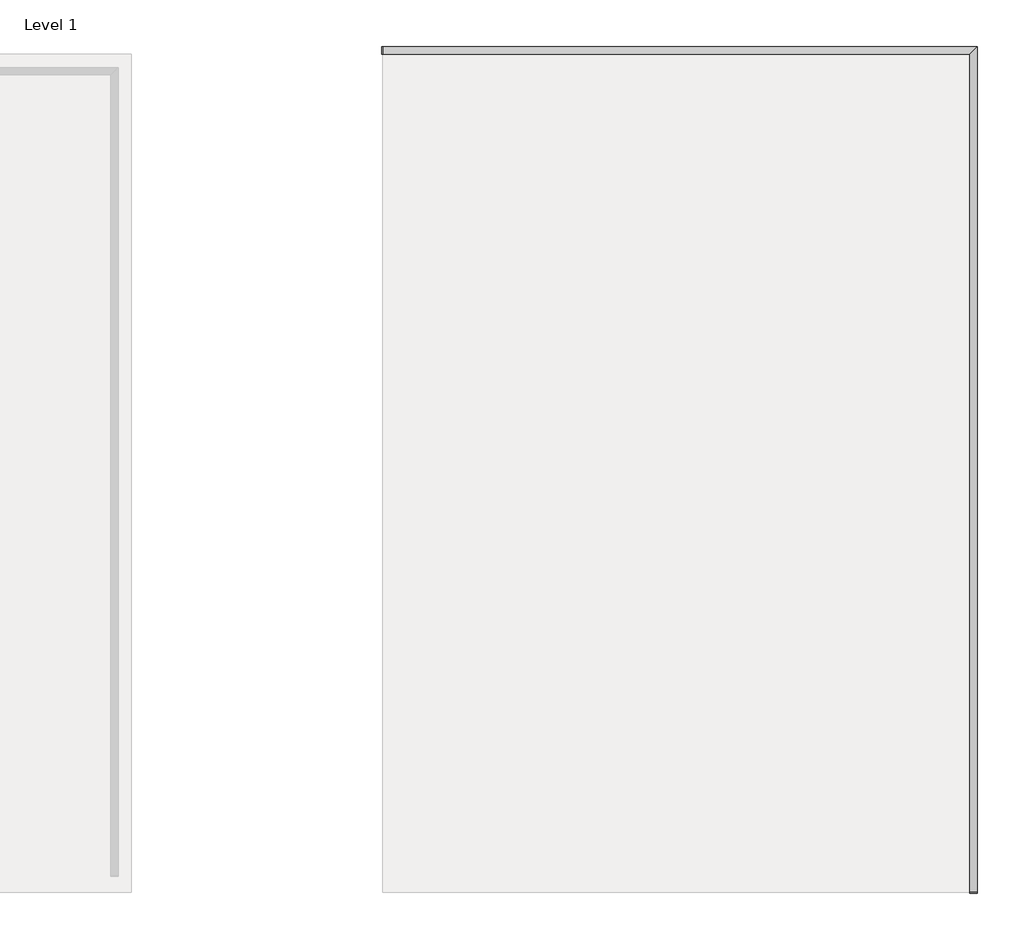
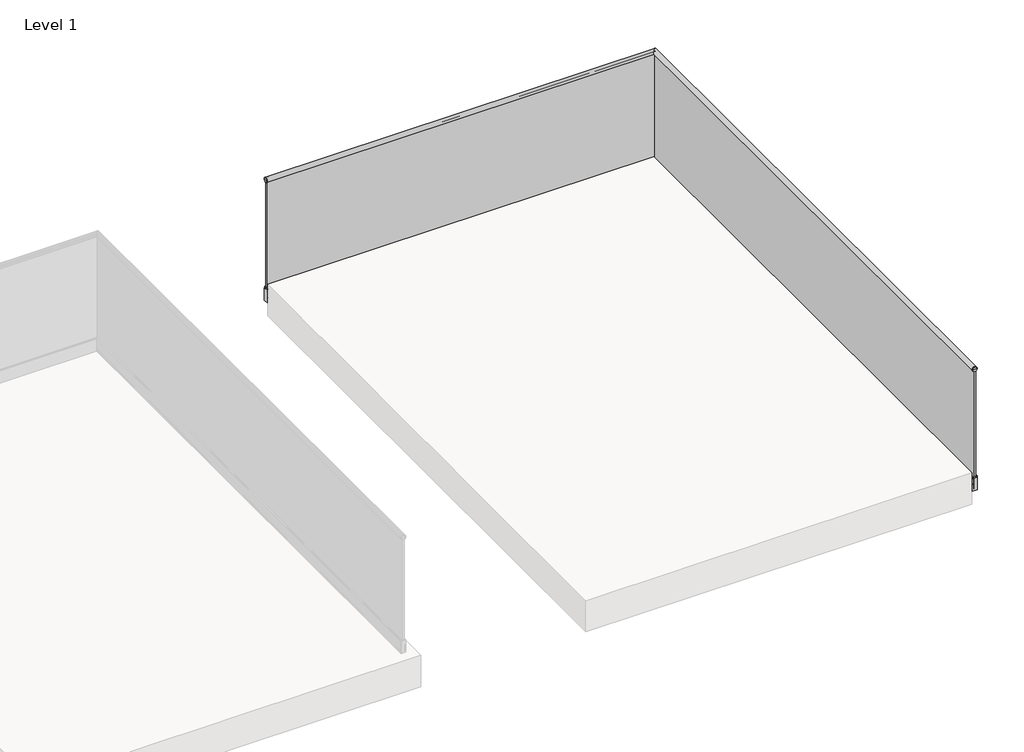
# One storey, part 3 of 11: 1 railing.
"""IFC4 building model written with IfcOpenShell, lengths in millimetres."""

from ifc_helpers import new_model, si_unit, frame, origin, place, context, project, spatial, polyline, circle_curve, ellipse_curve, outline, extrude, faceted_brep, element, save
from ifc_brep_helpers import plane_surface, cylinder_surface, revolved_surface, advanced_brep

model = new_model("IFC4")

# Units and contexts
model_context = context("Model", 3, world=origin())
ifc_project = project(units=[si_unit("LENGTHUNIT", "METRE", prefix="MILLI")], contexts=[model_context])

# Site, building, storey
site = spatial("IfcSite", under=ifc_project)
building = spatial("IfcBuilding", under=site)
storey = spatial("IfcBuildingStorey", under=building, Name="Level 1", Elevation=0.0)

# Railing
placement = place(None, origin())
element("IfcRailing", 1, at=placement, inside=storey, context=model_context, shape_type="SolidModel", body=[
    advanced_brep(
    [(-8638.5524845, -53857.3362173, 988.8064374), (-8638.5524845, -53822.3362173, 988.8064374), (-8638.5524845, -53820.8362173, 988.8064374), (-8638.5524845, -53858.8362173, 988.8064374), (-8638.5524845, -53825.0673098, 979.418713), (-8638.5524845, -53823.317421, 979.418713), (-8638.5524845, -53856.3550135, 979.418713), (-8638.5524845, -53854.6051248, 979.418713), (-8668.5524845, -53861.0362173, 988.8064374), (-8668.5524845, -53818.6362173, 988.8064374), (-8672.5524845, -53818.6362173, 988.8064374), (-8672.5524845, -53861.0362173, 988.8064374), (-8668.5524845, -53858.8362173, 988.8064374), (-8668.5524845, -53820.8362173, 988.8064374), (-8668.5524845, -53823.317421, 979.418713), (-8668.5524845, -53825.0673098, 979.418713), (-8668.5524845, -53822.3362173, 988.8064374), (-8668.5524845, -53839.8362173, 988.8064374), (-8668.5524845, -53857.3362173, 988.8064374), (-8668.5524845, -53854.6051248, 979.418713), (-8668.5524845, -53856.3550135, 979.418713), (-8672.5524845, -53839.8362173, 988.8064374)],
    [
        (0, 1, circle_curve(frame((-8638.5524845, -53839.8362173, 988.8064374), z_axis=(-1.0, 0.0, 0.0), x_axis=(0.0, 1.0, 0.0)), 17.5)),
        (1, 2),
        (2, 3, circle_curve(frame((-8638.5524845, -53839.8362173, 988.8064374), z_axis=(1.0, 0.0, 0.0), x_axis=(0.0, 1.0, 0.0)), 19.0)),
        (3, 0),
        (1, 4, circle_curve(frame((-8638.5524845, -53839.8362173, 988.8064374), z_axis=(-1.0, 0.0, 0.0), x_axis=(0.0, 1.0, 0.0)), 17.5)),
        (4, 5),
        (5, 2, circle_curve(frame((-8638.5524845, -53839.8362173, 988.8064374), z_axis=(1.0, 0.0, 0.0), x_axis=(0.0, 1.0, 0.0)), 19.0)),
        (3, 6, circle_curve(frame((-8638.5524845, -53839.8362173, 988.8064374), z_axis=(1.0, 0.0, 0.0), x_axis=(0.0, 1.0, 0.0)), 19.0)),
        (6, 7),
        (7, 0, circle_curve(frame((-8638.5524845, -53839.8362173, 988.8064374), z_axis=(-1.0, 0.0, 0.0), x_axis=(0.0, 1.0, 0.0)), 17.5)),
        (8, 9, circle_curve(frame((-8668.5524845, -53839.8362173, 988.8064374), z_axis=(-1.0, 0.0, 0.0), x_axis=(0.0, 1.0, 0.0)), 21.2)),
        (9, 10),
        (10, 11, circle_curve(frame((-8672.5524845, -53839.8362173, 988.8064374), z_axis=(1.0, 0.0, 0.0), x_axis=(0.0, 1.0, 0.0)), 21.2)),
        (11, 8),
        (9, 8, circle_curve(frame((-8668.5524845, -53839.8362173, 988.8064374), z_axis=(-1.0, 0.0, 0.0), x_axis=(0.0, 1.0, 0.0)), 21.2)),
        (11, 10, circle_curve(frame((-8672.5524845, -53839.8362173, 988.8064374), z_axis=(1.0, 0.0, 0.0), x_axis=(0.0, 1.0, 0.0)), 21.2)),
        (8, 12),
        (12, 13, circle_curve(frame((-8668.5524845, -53839.8362173, 988.8064374), z_axis=(-1.0, 0.0, 0.0), x_axis=(0.0, 1.0, 0.0)), 19.0)),
        (13, 9),
        (13, 14, circle_curve(frame((-8668.5524845, -53839.8362173, 988.8064374), z_axis=(-1.0, 0.0, 0.0), x_axis=(0.0, 1.0, 0.0)), 19.0)),
        (14, 15),
        (15, 16, circle_curve(frame((-8668.5524845, -53839.8362173, 988.8064374), z_axis=(1.0, 0.0, 0.0), x_axis=(0.0, 1.0, 0.0)), 17.5)),
        (16, 17),
        (17, 18),
        (18, 19, circle_curve(frame((-8668.5524845, -53839.8362173, 988.8064374), z_axis=(1.0, 0.0, 0.0), x_axis=(0.0, 1.0, 0.0)), 17.5)),
        (19, 20),
        (20, 12, circle_curve(frame((-8668.5524845, -53839.8362173, 988.8064374), z_axis=(-1.0, 0.0, 0.0), x_axis=(0.0, 1.0, 0.0)), 19.0)),
        (2, 13),
        (12, 3),
        (5, 14),
        (20, 6),
        (10, 21),
        (21, 11),
        (0, 18),
        (18, 16, circle_curve(frame((-8668.5524845, -53839.8362173, 988.8064374), z_axis=(-1.0, 0.0, 0.0), x_axis=(0.0, 1.0, 0.0)), 17.5)),
        (16, 1),
        (7, 19),
        (15, 4),
    ],
    [
        plane_surface(frame((-8638.5524845, -53839.8362173, 988.8064374), z_axis=(1.0, 0.0, 0.0), x_axis=(0.0, 1.0, 0.0))),
        cylinder_surface(frame((-8330.4837708, -53839.8362173, 988.8064374), z_axis=(1.0, 0.0, 0.0), x_axis=(0.0, 1.0, 0.0)), 21.2),
        plane_surface(frame((-8668.5524845, -53839.8362173, 988.8064374), z_axis=(1.0, 0.0, 0.0), x_axis=(0.0, 1.0, 0.0))),
        cylinder_surface(frame((-8330.4837708, -53839.8362173, 988.8064374), z_axis=(1.0, 0.0, 0.0), x_axis=(0.0, 1.0, 0.0)), 19.0),
        plane_surface(frame((-8672.5524845, -53839.8362173, 988.8064374), z_axis=(-1.0, 0.0, 0.0), x_axis=(0.0, 1.0, 0.0))),
        revolved_surface(polyline([(-8638.5524845, -53822.3362173, 988.8064374), (-8668.5524845, -53822.3362173, 988.8064374)]), (-8330.4837708, -53839.8362173, 988.8064374), (1.0, 0.0, 0.0)),
        plane_surface(frame((-8668.5524845, -53861.0362173, 979.418713), z_axis=(0.0, 0.0, -1.0), x_axis=(1.0, 0.0, 0.0))),
    ],
    [
        (0, [[1, 2, 3, 4]]),
        (0, [[-2, 5, 6, 7]]),
        (0, [[-4, 8, 9, 10]]),
        (1, [[11, 12, 13, 14]]),
        (1, [[-12, 15, -14, 16]]),
        (2, [[-11, 17, 18, 19]]),
        (2, [[-19, 20, 21, 22, 23, 24, 25, 26, 27, -17, -15]]),
        (3, [[-3, 28, -18, 29]]),
        (3, [[-28, -7, 30, -20]]),
        (3, [[-29, -27, 31, -8]]),
        (4, [[-13, 32, 33]]),
        (4, [[-16, -33, -32]]),
        (5, [[-1, 34, 35, 36]]),
        (5, [[-34, -10, 37, -25]]),
        (5, [[-36, -22, 38, -5]]),
        (2, [[-35, -24, -23]]),
        (6, [[-21, -30, -6, -38]]),
        (6, [[-26, -37, -9, -31]]),
    ],
),
    advanced_brep(
    [(-5126.5524845, -58834.3362173, 988.8064374), (-5161.5524845, -58834.3362173, 988.8064374), (-5163.0524845, -58834.3362173, 988.8064374), (-5125.0524845, -58834.3362173, 988.8064374), (-5158.821392, -58834.3362173, 979.418713), (-5160.5712807, -58834.3362173, 979.418713), (-5127.5336882, -58834.3362173, 979.418713), (-5129.2835769, -58834.3362173, 979.418713), (-5122.8524845, -58864.3362173, 988.8064374), (-5165.2524845, -58864.3362173, 988.8064374), (-5165.2524845, -58868.3362173, 988.8064374), (-5122.8524845, -58868.3362173, 988.8064374), (-5125.0524845, -58864.3362173, 988.8064374), (-5163.0524845, -58864.3362173, 988.8064374), (-5160.5712807, -58864.3362173, 979.418713), (-5158.821392, -58864.3362173, 979.418713), (-5161.5524845, -58864.3362173, 988.8064374), (-5144.0524845, -58864.3362173, 988.8064374), (-5126.5524845, -58864.3362173, 988.8064374), (-5129.2835769, -58864.3362173, 979.418713), (-5127.5336882, -58864.3362173, 979.418713), (-5144.0524845, -58868.3362173, 988.8064374)],
    [
        (0, 1, circle_curve(frame((-5144.0524845, -58834.3362173, 988.8064374), z_axis=(0.0, -1.0, 0.0), x_axis=(-1.0, 0.0, 0.0)), 17.5)),
        (1, 2),
        (2, 3, circle_curve(frame((-5144.0524845, -58834.3362173, 988.8064374), z_axis=(0.0, 1.0, 0.0), x_axis=(-1.0, 0.0, 0.0)), 19.0)),
        (3, 0),
        (1, 4, circle_curve(frame((-5144.0524845, -58834.3362173, 988.8064374), z_axis=(0.0, -1.0, 0.0), x_axis=(-1.0, 0.0, 0.0)), 17.5)),
        (4, 5),
        (5, 2, circle_curve(frame((-5144.0524845, -58834.3362173, 988.8064374), z_axis=(0.0, 1.0, 0.0), x_axis=(-1.0, 0.0, 0.0)), 19.0)),
        (3, 6, circle_curve(frame((-5144.0524845, -58834.3362173, 988.8064374), z_axis=(0.0, 1.0, 0.0), x_axis=(-1.0, 0.0, 0.0)), 19.0)),
        (6, 7),
        (7, 0, circle_curve(frame((-5144.0524845, -58834.3362173, 988.8064374), z_axis=(0.0, -1.0, 0.0), x_axis=(-1.0, 0.0, 0.0)), 17.5)),
        (8, 9, circle_curve(frame((-5144.0524845, -58864.3362173, 988.8064374), z_axis=(0.0, -1.0, 0.0), x_axis=(-1.0, 0.0, 0.0)), 21.2)),
        (9, 10),
        (10, 11, circle_curve(frame((-5144.0524845, -58868.3362173, 988.8064374), z_axis=(0.0, 1.0, 0.0), x_axis=(-1.0, 0.0, 0.0)), 21.2)),
        (11, 8),
        (9, 8, circle_curve(frame((-5144.0524845, -58864.3362173, 988.8064374), z_axis=(0.0, -1.0, 0.0), x_axis=(-1.0, 0.0, 0.0)), 21.2)),
        (11, 10, circle_curve(frame((-5144.0524845, -58868.3362173, 988.8064374), z_axis=(0.0, 1.0, 0.0), x_axis=(-1.0, 0.0, 0.0)), 21.2)),
        (8, 12),
        (12, 13, circle_curve(frame((-5144.0524845, -58864.3362173, 988.8064374), z_axis=(0.0, -1.0, 0.0), x_axis=(-1.0, 0.0, 0.0)), 19.0)),
        (13, 9),
        (13, 14, circle_curve(frame((-5144.0524845, -58864.3362173, 988.8064374), z_axis=(0.0, -1.0, 0.0), x_axis=(-1.0, 0.0, 0.0)), 19.0)),
        (14, 15),
        (15, 16, circle_curve(frame((-5144.0524845, -58864.3362173, 988.8064374), z_axis=(0.0, 1.0, 0.0), x_axis=(-1.0, 0.0, 0.0)), 17.5)),
        (16, 17),
        (17, 18),
        (18, 19, circle_curve(frame((-5144.0524845, -58864.3362173, 988.8064374), z_axis=(0.0, 1.0, 0.0), x_axis=(-1.0, 0.0, 0.0)), 17.5)),
        (19, 20),
        (20, 12, circle_curve(frame((-5144.0524845, -58864.3362173, 988.8064374), z_axis=(0.0, -1.0, 0.0), x_axis=(-1.0, 0.0, 0.0)), 19.0)),
        (2, 13),
        (12, 3),
        (5, 14),
        (20, 6),
        (10, 21),
        (21, 11),
        (0, 18),
        (18, 16, circle_curve(frame((-5144.0524845, -58864.3362173, 988.8064374), z_axis=(0.0, -1.0, 0.0), x_axis=(-1.0, 0.0, 0.0)), 17.5)),
        (16, 1),
        (7, 19),
        (15, 4),
    ],
    [
        plane_surface(frame((-5144.0524845, -58834.3362173, 988.8064374), z_axis=(0.0, 1.0, 0.0), x_axis=(-1.0, 0.0, 0.0))),
        cylinder_surface(frame((-5144.0524845, -58526.2675037, 988.8064374), z_axis=(0.0, 1.0, 0.0), x_axis=(-1.0, 0.0, 0.0)), 21.2),
        plane_surface(frame((-5144.0524845, -58864.3362173, 988.8064374), z_axis=(0.0, 1.0, 0.0), x_axis=(-1.0, 0.0, 0.0))),
        cylinder_surface(frame((-5144.0524845, -58526.2675037, 988.8064374), z_axis=(0.0, 1.0, 0.0), x_axis=(-1.0, 0.0, 0.0)), 19.0),
        plane_surface(frame((-5144.0524845, -58868.3362173, 988.8064374), z_axis=(0.0, -1.0, 0.0), x_axis=(-1.0, 0.0, 0.0))),
        revolved_surface(polyline([(-5161.5524845, -58834.3362173, 988.8064374), (-5161.5524845, -58864.3362173, 988.8064374)]), (-5144.0524845, -58526.2675037, 988.8064374), (0.0, 1.0, 0.0)),
        plane_surface(frame((-5122.8524845, -58864.3362173, 979.418713), z_axis=(0.0, 0.0, -1.0), x_axis=(0.0, 1.0, 0.0))),
    ],
    [
        (0, [[1, 2, 3, 4]]),
        (0, [[-2, 5, 6, 7]]),
        (0, [[-4, 8, 9, 10]]),
        (1, [[11, 12, 13, 14]]),
        (1, [[-12, 15, -14, 16]]),
        (2, [[-11, 17, 18, 19]]),
        (2, [[-19, 20, 21, 22, 23, 24, 25, 26, 27, -17, -15]]),
        (3, [[-3, 28, -18, 29]]),
        (3, [[-28, -7, 30, -20]]),
        (3, [[-29, -27, 31, -8]]),
        (4, [[-13, 32, 33]]),
        (4, [[-16, -33, -32]]),
        (5, [[-1, 34, 35, 36]]),
        (5, [[-34, -10, 37, -25]]),
        (5, [[-36, -22, 38, -5]]),
        (2, [[-35, -24, -23]]),
        (6, [[-21, -30, -6, -38]]),
        (6, [[-26, -37, -9, -31]]),
    ],
),
    advanced_brep(
    [(-5156.0524845, -58864.3362173, 997.0), (-5132.0524845, -58864.3362173, 997.0), (-5132.0524845, -58864.3362173, 974.4528749), (-5129.5245657, -58864.3362173, 973.3604542), (-5158.5804032, -58864.3362173, 973.3604542), (-5156.0524845, -58864.3362173, 974.4528749), (-5156.0524845, -58863.3362173, 997.0), (-5132.0524845, -58863.3362173, 997.0), (-5132.0524845, -58863.3362173, 974.4528749), (-5156.0524845, -58863.3362173, 974.4528749), (-5156.0524845, -53851.8362173, 997.0), (-5132.0524845, -53827.8362173, 997.0), (-5132.0524845, -53827.8362173, 974.4528749), (-5156.0524845, -53851.8362173, 974.4528749), (-8667.5524845, -53851.8362173, 997.0), (-8667.5524845, -53827.8362173, 997.0), (-8667.5524845, -53827.8362173, 974.4528749), (-8667.5524845, -53851.8362173, 974.4528749), (-8668.5524845, -53851.8362173, 997.0), (-8668.5524845, -53851.8362173, 974.4528749), (-8668.5524845, -53854.3641361, 973.3604542), (-8668.5524845, -53825.3082985, 973.3604542), (-8668.5524845, -53827.8362173, 974.4528749), (-8668.5524845, -53827.8362173, 997.0), (-5129.5245657, -58863.3362173, 973.3604542), (-5158.5804032, -58863.3362173, 973.3604542), (-5129.5245657, -53825.3082985, 973.3604542), (-5158.5804032, -53854.3641361, 973.3604542), (-8667.5524845, -53825.3082985, 973.3604542), (-8667.5524845, -53854.3641361, 973.3604542)],
    [
        (0, 1),
        (1, 2),
        (2, 3, circle_curve(frame((-5130.5524845, -58864.3362173, 974.4528749), z_axis=(0.0, -1.0, 0.0), x_axis=(-1.0, 0.0, 0.0)), 1.5)),
        (3, 4, circle_curve(frame((-5144.0524845, -58864.3362173, 988.8), z_axis=(0.0, -1.0, 0.0), x_axis=(-1.0, 0.0, 0.0)), 21.2)),
        (4, 5, circle_curve(frame((-5157.5524845, -58864.3362173, 974.4528749), z_axis=(0.0, -1.0, 0.0), x_axis=(-1.0, 0.0, 0.0)), 1.5)),
        (5, 0),
        (0, 6),
        (6, 7),
        (7, 1),
        (7, 8),
        (8, 2),
        (5, 9),
        (9, 6),
        (6, 10),
        (10, 11),
        (11, 7),
        (11, 12),
        (12, 8),
        (9, 13),
        (13, 10),
        (10, 14),
        (14, 15),
        (15, 11),
        (15, 16),
        (16, 12),
        (13, 17),
        (17, 14),
        (18, 19),
        (19, 20, circle_curve(frame((-8668.5524845, -53853.3362173, 974.4528749), z_axis=(-1.0, 0.0, 0.0), x_axis=(0.0, -1.0, 0.0)), 1.5)),
        (20, 21, circle_curve(frame((-8668.5524845, -53839.8362173, 988.8), z_axis=(-1.0, 0.0, 0.0), x_axis=(0.0, -1.0, 0.0)), 21.2)),
        (21, 22, circle_curve(frame((-8668.5524845, -53826.3362173, 974.4528749), z_axis=(-1.0, 0.0, 0.0), x_axis=(0.0, -1.0, 0.0)), 1.5)),
        (22, 23),
        (23, 18),
        (14, 18),
        (23, 15),
        (22, 16),
        (17, 19),
        (8, 24, circle_curve(frame((-5130.5524845, -58863.3362173, 974.4528749), z_axis=(0.0, -1.0, 0.0), x_axis=(-1.0, 0.0, 0.0)), 1.5)),
        (24, 3),
        (24, 25, circle_curve(frame((-5144.0524845, -58863.3362173, 988.8), z_axis=(0.0, -1.0, 0.0), x_axis=(-1.0, 0.0, 0.0)), 21.2)),
        (25, 4),
        (25, 9, circle_curve(frame((-5157.5524845, -58863.3362173, 974.4528749), z_axis=(0.0, -1.0, 0.0), x_axis=(-1.0, 0.0, 0.0)), 1.5)),
        (12, 26, ellipse_curve(frame((-5130.5524845, -53826.3362173, 974.4528749), z_axis=(0.7071067811865475, -0.7071067811865475, 0.0), x_axis=(-0.7071067811865474, -0.7071067811865476, 0.0)), 2.1213203, 1.5)),
        (26, 24),
        (26, 27, ellipse_curve(frame((-5144.0524845, -53839.8362173, 988.8), z_axis=(0.7071067811865475, -0.7071067811865475, 0.0), x_axis=(-0.7071067811865474, -0.7071067811865476, 0.0)), 29.9813275, 21.2)),
        (27, 25),
        (27, 13, ellipse_curve(frame((-5157.5524845, -53853.3362173, 974.4528749), z_axis=(0.7071067811865475, -0.7071067811865475, 0.0), x_axis=(-0.7071067811865474, -0.7071067811865476, 0.0)), 2.1213203, 1.5)),
        (16, 28, circle_curve(frame((-8667.5524845, -53826.3362173, 974.4528749), z_axis=(1.0, 0.0, 0.0), x_axis=(0.0, -1.0, 0.0)), 1.5)),
        (28, 26),
        (28, 29, circle_curve(frame((-8667.5524845, -53839.8362173, 988.8), z_axis=(1.0, 0.0, 0.0), x_axis=(0.0, -1.0, 0.0)), 21.2)),
        (29, 27),
        (29, 17, circle_curve(frame((-8667.5524845, -53853.3362173, 974.4528749), z_axis=(1.0, 0.0, 0.0), x_axis=(0.0, -1.0, 0.0)), 1.5)),
        (21, 28),
        (20, 29),
    ],
    [
        plane_surface(frame((-5144.0524845, -58864.3362173, 997.0), z_axis=(0.0, -1.0, 0.0), x_axis=(0.0, 0.0, 1.0))),
        plane_surface(frame((-5156.0524845, -58864.3362173, 997.0), z_axis=(0.0, 0.0, -1.0), x_axis=(0.0, 1.0, 0.0))),
        plane_surface(frame((-5132.0524845, -58864.3362173, 997.0), z_axis=(-1.0, 0.0, 0.0), x_axis=(0.0, 1.0, 0.0))),
        plane_surface(frame((-5156.0524845, -58864.3362173, 974.4528749), z_axis=(1.0, 0.0, 0.0), x_axis=(0.0, 1.0, 0.0))),
        plane_surface(frame((-5156.0524845, -58863.3362173, 997.0), z_axis=(0.0, 0.0, -1.0), x_axis=(0.0, 1.0, 0.0))),
        plane_surface(frame((-5132.0524845, -58863.3362173, 997.0), z_axis=(-1.0, 0.0, 0.0), x_axis=(0.0, 1.0, 0.0))),
        plane_surface(frame((-5156.0524845, -58863.3362173, 974.4528749), z_axis=(1.0, 0.0, 0.0), x_axis=(0.0, 1.0, 0.0))),
        plane_surface(frame((-5156.0524845, -53851.8362173, 997.0), z_axis=(0.0, 0.0, -1.0), x_axis=(-1.0, 0.0, 0.0))),
        plane_surface(frame((-5132.0524845, -53827.8362173, 997.0), z_axis=(0.0, -1.0, 0.0), x_axis=(-1.0, 0.0, 0.0))),
        plane_surface(frame((-5156.0524845, -53851.8362173, 974.4528749), z_axis=(0.0, 1.0, 0.0), x_axis=(-1.0, 0.0, 0.0))),
        plane_surface(frame((-8668.5524845, -53839.8362173, 997.0), z_axis=(-1.0, 0.0, 0.0), x_axis=(0.0, -1.0, 0.0))),
        plane_surface(frame((-8667.5524845, -53851.8362173, 997.0), z_axis=(0.0, 0.0, -1.0), x_axis=(-1.0, 0.0, 0.0))),
        plane_surface(frame((-8667.5524845, -53827.8362173, 997.0), z_axis=(0.0, -1.0, 0.0), x_axis=(-1.0, 0.0, 0.0))),
        plane_surface(frame((-8667.5524845, -53851.8362173, 974.4528749), z_axis=(0.0, 1.0, 0.0), x_axis=(-1.0, 0.0, 0.0))),
        cylinder_surface(frame((-5130.5524845, -58864.3362173, 974.4528749), z_axis=(0.0, -1.0, 0.0), x_axis=(-1.0, 0.0, 0.0)), 1.5),
        cylinder_surface(frame((-5144.0524845, -58864.3362173, 988.8), z_axis=(0.0, -1.0, 0.0), x_axis=(-1.0, 0.0, 0.0)), 21.2),
        cylinder_surface(frame((-5157.5524845, -58864.3362173, 974.4528749), z_axis=(0.0, -1.0, 0.0), x_axis=(-1.0, 0.0, 0.0)), 1.5),
        cylinder_surface(frame((-5130.5524845, -58863.3362173, 974.4528749), z_axis=(0.0, -1.0, 0.0), x_axis=(-1.0, 0.0, 0.0)), 1.5),
        cylinder_surface(frame((-5144.0524845, -58863.3362173, 988.8), z_axis=(0.0, -1.0, 0.0), x_axis=(-1.0, 0.0, 0.0)), 21.2),
        cylinder_surface(frame((-5157.5524845, -58863.3362173, 974.4528749), z_axis=(0.0, -1.0, 0.0), x_axis=(-1.0, 0.0, 0.0)), 1.5),
        cylinder_surface(frame((-5144.0524845, -53826.3362173, 974.4528749), z_axis=(1.0, 0.0, 0.0), x_axis=(0.0, -1.0, 0.0)), 1.5),
        cylinder_surface(frame((-5144.0524845, -53839.8362173, 988.8), z_axis=(1.0, 0.0, 0.0), x_axis=(0.0, -1.0, 0.0)), 21.2),
        cylinder_surface(frame((-5144.0524845, -53853.3362173, 974.4528749), z_axis=(1.0, 0.0, 0.0), x_axis=(0.0, -1.0, 0.0)), 1.5),
        cylinder_surface(frame((-8667.5524845, -53826.3362173, 974.4528749), z_axis=(1.0, 0.0, 0.0), x_axis=(0.0, -1.0, 0.0)), 1.5),
        cylinder_surface(frame((-8667.5524845, -53839.8362173, 988.8), z_axis=(1.0, 0.0, 0.0), x_axis=(0.0, -1.0, 0.0)), 21.2),
        cylinder_surface(frame((-8667.5524845, -53853.3362173, 974.4528749), z_axis=(1.0, 0.0, 0.0), x_axis=(0.0, -1.0, 0.0)), 1.5),
    ],
    [
        (0, [[1, 2, 3, 4, 5, 6]]),
        (1, [[-1, 7, 8, 9]]),
        (2, [[-2, -9, 10, 11]]),
        (3, [[-6, 12, 13, -7]]),
        (4, [[-8, 14, 15, 16]]),
        (5, [[-10, -16, 17, 18]]),
        (6, [[-13, 19, 20, -14]]),
        (7, [[-15, 21, 22, 23]]),
        (8, [[-17, -23, 24, 25]]),
        (9, [[-20, 26, 27, -21]]),
        (10, [[28, 29, 30, 31, 32, 33]]),
        (11, [[-22, 34, -33, 35]]),
        (12, [[-24, -35, -32, 36]]),
        (13, [[-27, 37, -28, -34]]),
        (14, [[-3, -11, 38, 39]]),
        (15, [[-4, -39, 40, 41]]),
        (16, [[-5, -41, 42, -12]]),
        (17, [[-38, -18, 43, 44]]),
        (18, [[-40, -44, 45, 46]]),
        (19, [[-42, -46, 47, -19]]),
        (20, [[-43, -25, 48, 49]]),
        (21, [[-45, -49, 50, 51]]),
        (22, [[-47, -51, 52, -26]]),
        (23, [[-48, -36, -31, 53]]),
        (24, [[-50, -53, -30, 54]]),
        (25, [[-52, -54, -29, -37]]),
    ],
),
    faceted_brep([(-5135.2924845, -58863.3362173, 993.0), (-5152.8124845, -58863.3362173, 993.0), (-5152.8124845, -58863.3362173, -157.0), (-5135.2924845, -58863.3362173, -157.0), (-5135.2924845, -53831.0762173, 993.0), (-5152.8124845, -53848.5962173, 993.0), (-5152.8124845, -53848.5962173, -157.0), (-5135.2924845, -53831.0762173, -157.0), (-8667.5524845, -53831.0762173, 993.0), (-8667.5524845, -53831.0762173, -157.0), (-8667.5524845, -53848.5962173, -157.0), (-8667.5524845, -53848.5962173, 993.0)], [[[0, 1, 2, 3]], [[1, 0, 4, 5]], [[2, 1, 5, 6]], [[3, 2, 6, 7]], [[0, 3, 7, 4]], [[8, 9, 10, 11]], [[5, 4, 8, 11]], [[6, 5, 11, 10]], [[7, 6, 10, 9]], [[4, 7, 9, 8]]]),
    faceted_brep([(-5156.5524845, -58863.3362173, -160.0), (-5156.5524845, -58863.3362173, -140.0), (-5160.5905785, -58863.3362173, -50.0), (-5166.4524845, -58863.3362173, -50.0), (-5167.5524845, -58863.3362173, -51.1), (-5167.5524845, -58863.3362173, -69.1), (-5165.0524845, -58863.3362173, -71.6), (-5165.0524845, -58863.3362173, -88.0), (-5167.5524845, -58863.3362173, -90.5), (-5167.5524845, -58863.3362173, -129.5), (-5165.0524845, -58863.3362173, -132.0), (-5165.0524845, -58863.3362173, -148.0), (-5167.5524845, -58863.3362173, -150.5), (-5167.5524845, -58863.3362173, -170.0), (-5122.5524844, -58863.3362173, -170.0), (-5122.5524844, -58863.3362173, -168.0), (-5126.8024844, -58863.3362173, -167.4027015), (-5126.8024844, -58863.3362173, -165.7499556), (-5123.0524844, -58863.3362173, -165.7499556), (-5123.0524844, -58863.3362173, -49.0), (-5124.0524844, -58863.3362173, -49.0), (-5125.0524844, -58863.3362173, -50.0), (-5128.7524845, -58863.3362173, -50.0), (-5128.7524845, -58863.3362173, -70.0), (-5127.7524845, -58863.3362173, -70.5773503), (-5131.5524845, -58863.3362173, -93.5), (-5131.5524845, -58863.3362173, -160.0), (-8667.5524845, -53852.3362173, -160.0), (-8667.5524845, -53827.3362173, -160.0), (-8667.5524845, -53827.3362173, -93.5), (-8667.5524845, -53823.5362173, -70.5773503), (-8667.5524845, -53824.5362173, -70.0), (-8667.5524845, -53824.5362173, -50.0), (-8667.5524845, -53820.8362172, -50.0), (-8667.5524845, -53819.8362172, -49.0), (-8667.5524845, -53818.8362172, -49.0), (-8667.5524845, -53818.8362172, -165.7499556), (-8667.5524845, -53822.5862172, -165.7499556), (-8667.5524845, -53822.5862172, -167.4027015), (-8667.5524845, -53818.3362172, -168.0), (-8667.5524845, -53818.3362172, -170.0), (-8667.5524845, -53863.3362173, -170.0), (-8667.5524845, -53863.3362173, -150.5), (-8667.5524845, -53860.8362173, -148.0), (-8667.5524845, -53860.8362173, -132.0), (-8667.5524845, -53863.3362173, -129.5), (-8667.5524845, -53863.3362173, -90.5), (-8667.5524845, -53860.8362173, -88.0), (-8667.5524845, -53860.8362173, -71.6), (-8667.5524845, -53863.3362173, -69.1), (-8667.5524845, -53863.3362173, -51.1), (-8667.5524845, -53862.2362173, -50.0), (-8667.5524845, -53856.3743114, -50.0), (-8667.5524845, -53852.3362173, -140.0), (-5156.5524845, -53852.3362173, -160.0), (-5156.5524845, -53852.3362173, -140.0), (-5160.5905785, -53856.3743114, -50.0), (-5166.4524845, -53862.2362173, -50.0), (-5167.5524845, -53863.3362173, -51.1), (-5167.5524845, -53863.3362173, -69.1), (-5165.0524845, -53860.8362173, -71.6), (-5165.0524845, -53860.8362173, -88.0), (-5167.5524845, -53863.3362173, -90.5), (-5167.5524845, -53863.3362173, -129.5), (-5165.0524845, -53860.8362173, -132.0), (-5165.0524845, -53860.8362173, -148.0), (-5167.5524845, -53863.3362173, -150.5), (-5167.5524845, -53863.3362173, -170.0), (-5122.5524844, -53818.3362172, -170.0), (-5122.5524844, -53818.3362172, -168.0), (-5126.8024844, -53822.5862172, -167.4027015), (-5126.8024844, -53822.5862172, -165.7499556), (-5123.0524844, -53818.8362172, -165.7499556), (-5123.0524844, -53818.8362172, -49.0), (-5124.0524844, -53819.8362172, -49.0), (-5125.0524844, -53820.8362172, -50.0), (-5128.7524845, -53824.5362173, -50.0), (-5128.7524845, -53824.5362173, -70.0), (-5127.7524845, -53823.5362173, -70.5773503), (-5131.5524845, -53827.3362173, -93.5), (-5131.5524845, -53827.3362173, -160.0)], [[[0, 1, 2, 3, 4, 5, 6, 7, 8, 9, 10, 11, 12, 13, 14, 15, 16, 17, 18, 19, 20, 21, 22, 23, 24, 25, 26]], [[27, 28, 29, 30, 31, 32, 33, 34, 35, 36, 37, 38, 39, 40, 41, 42, 43, 44, 45, 46, 47, 48, 49, 50, 51, 52, 53]], [[1, 0, 54, 55]], [[2, 1, 55, 56]], [[3, 2, 56, 57]], [[4, 3, 57, 58]], [[5, 4, 58, 59]], [[6, 5, 59, 60]], [[7, 6, 60, 61]], [[8, 7, 61, 62]], [[9, 8, 62, 63]], [[10, 9, 63, 64]], [[11, 10, 64, 65]], [[12, 11, 65, 66]], [[13, 12, 66, 67]], [[14, 13, 67, 68]], [[15, 14, 68, 69]], [[16, 15, 69, 70]], [[17, 16, 70, 71]], [[18, 17, 71, 72]], [[19, 18, 72, 73]], [[20, 19, 73, 74]], [[22, 21, 75, 76]], [[23, 22, 76, 77]], [[24, 23, 77, 78]], [[25, 24, 78, 79]], [[26, 25, 79, 80]], [[0, 26, 80, 54]], [[55, 54, 27, 53]], [[56, 55, 53, 52]], [[57, 56, 52, 51]], [[58, 57, 51, 50]], [[59, 58, 50, 49]], [[60, 59, 49, 48]], [[61, 60, 48, 47]], [[62, 61, 47, 46]], [[63, 62, 46, 45]], [[64, 63, 45, 44]], [[65, 64, 44, 43]], [[66, 65, 43, 42]], [[67, 66, 42, 41]], [[68, 67, 41, 40]], [[69, 68, 40, 39]], [[70, 69, 39, 38]], [[71, 70, 38, 37]], [[72, 71, 37, 36]], [[73, 72, 36, 35]], [[74, 73, 35, 34]], [[76, 75, 33, 32]], [[77, 76, 32, 31]], [[78, 77, 31, 30]], [[79, 78, 30, 29]], [[80, 79, 29, 28]], [[54, 80, 28, 27]], [[21, 20, 74, 75]], [[75, 74, 34, 33]]]),
    advanced_brep(
    [(-5132.7524845, -58863.3362173, -159.8), (-5131.7524845, -58863.3362173, -158.8), (-5131.7524845, -58863.3362173, -93.4835349), (-5127.9724455, -58863.3362173, -70.6812958), (-5128.9524845, -58863.3362173, -70.1154701), (-5128.9524845, -58863.3362173, -49.085069), (-5132.6283203, -58863.3362173, -46.9175211), (-5133.5024845, -58863.3362173, -47.2491854), (-5133.5024845, -58863.3362173, -158.0), (-5154.3654461, -58863.3362173, -158.0), (-5154.6509663, -58863.3362173, -159.8), (-8667.5524845, -53828.5362173, -159.8), (-8667.5524845, -53850.4346992, -159.8), (-8667.5524845, -53850.149179, -158.0), (-8667.5524845, -53829.2862173, -158.0), (-8667.5524845, -53829.2862173, -47.2491854), (-8667.5524845, -53828.4120532, -46.9175211), (-8667.5524845, -53824.7362173, -49.085069), (-8667.5524845, -53824.7362173, -70.1154701), (-8667.5524845, -53823.7561784, -70.6812958), (-8667.5524845, -53827.5362173, -93.4835349), (-8667.5524845, -53827.5362173, -158.8), (-5132.7524845, -53828.5362173, -159.8), (-5131.7524845, -53827.5362173, -158.8), (-5131.7524845, -53827.5362173, -93.4835349), (-5127.9724455, -53823.7561784, -70.6812958), (-5128.9524845, -53824.7362173, -70.1154701), (-5128.9524845, -53824.7362173, -49.085069), (-5132.6283203, -53828.4120532, -46.9175211), (-5133.5024845, -53829.2862173, -47.2491854), (-5133.5024845, -53829.2862173, -158.0), (-5154.3654461, -53850.149179, -158.0), (-5154.6509663, -53850.4346992, -159.8)],
    [
        (0, 1, circle_curve(frame((-5132.7524845, -58863.3362173, -158.8), z_axis=(0.0, -1.0, 0.0), x_axis=(1.0, 0.0, 0.0)), 1.0)),
        (1, 2),
        (2, 3),
        (3, 4),
        (4, 5),
        (5, 6, circle_curve(frame((-5127.4387724, -58863.3362173, -42.3174336), z_axis=(0.0, 1.0, 0.0), x_axis=(1.0, 0.0, 0.0)), 6.9348549)),
        (6, 7, circle_curve(frame((-5133.0024845, -58863.3362173, -47.2491854), z_axis=(0.0, -1.0, 0.0), x_axis=(1.0, 0.0, 0.0)), 0.5)),
        (7, 8),
        (8, 9),
        (9, 10, circle_curve(frame((-5153.9940214, -58863.3362173, -158.9815612), z_axis=(0.0, -1.0, 0.0), x_axis=(1.0, 0.0, 0.0)), 1.049485)),
        (10, 0),
        (11, 12),
        (12, 13, circle_curve(frame((-8667.5524845, -53849.7777543, -158.9815612), z_axis=(-1.0, 0.0, 0.0), x_axis=(0.0, 1.0, 0.0)), 1.049485)),
        (13, 14),
        (14, 15),
        (15, 16, circle_curve(frame((-8667.5524845, -53828.7862173, -47.2491854), z_axis=(-1.0, 0.0, 0.0), x_axis=(0.0, 1.0, 0.0)), 0.5)),
        (16, 17, circle_curve(frame((-8667.5524845, -53823.2225052, -42.3174336), z_axis=(1.0, 0.0, 0.0), x_axis=(0.0, 1.0, 0.0)), 6.9348549)),
        (17, 18),
        (18, 19),
        (19, 20),
        (20, 21),
        (21, 11, circle_curve(frame((-8667.5524845, -53828.5362173, -158.8), z_axis=(-1.0, 0.0, 0.0), x_axis=(0.0, 1.0, 0.0)), 1.0)),
        (0, 22),
        (22, 23, ellipse_curve(frame((-5132.7524845, -53828.5362173, -158.8), z_axis=(0.7071067811865475, -0.7071067811865475, 0.0), x_axis=(-0.7071067811865474, -0.7071067811865476, 0.0)), 1.4142136, 1.0)),
        (23, 1),
        (23, 24),
        (24, 2),
        (24, 25),
        (25, 3),
        (25, 26),
        (26, 4),
        (26, 27),
        (27, 5),
        (27, 28, ellipse_curve(frame((-5127.4387724, -53823.2225052, -42.3174336), z_axis=(-0.7071067811865475, 0.7071067811865475, 0.0), x_axis=(0.7071067811865474, 0.7071067811865476, 0.0)), 9.8073659, 6.9348549)),
        (28, 6),
        (28, 29, ellipse_curve(frame((-5133.0024845, -53828.7862173, -47.2491854), z_axis=(0.7071067811865475, -0.7071067811865475, 0.0), x_axis=(-0.7071067811865474, -0.7071067811865476, 0.0)), 0.7071068, 0.5)),
        (29, 7),
        (29, 30),
        (30, 8),
        (30, 31),
        (31, 9),
        (31, 32, ellipse_curve(frame((-5153.9940214, -53849.7777543, -158.9815612), z_axis=(0.7071067811865475, -0.7071067811865475, 0.0), x_axis=(-0.7071067811865474, -0.7071067811865476, 0.0)), 1.4841959, 1.049485)),
        (32, 10),
        (32, 22),
        (22, 11),
        (21, 23),
        (20, 24),
        (19, 25),
        (18, 26),
        (17, 27),
        (16, 28),
        (15, 29),
        (14, 30),
        (13, 31),
        (12, 32),
    ],
    [
        plane_surface(frame((-5144.0524845, -58863.3362173, -170.0), z_axis=(0.0, -1.0, 0.0), x_axis=(0.0, 0.0, 1.0))),
        plane_surface(frame((-8667.5524845, -53839.8362173, -170.0), z_axis=(-1.0, 0.0, 0.0), x_axis=(0.0, -1.0, 0.0))),
        cylinder_surface(frame((-5132.7524845, -58863.3362173, -158.8), z_axis=(0.0, -1.0, 0.0), x_axis=(1.0, 0.0, 0.0)), 1.0),
        plane_surface(frame((-5131.7524845, -58863.3362173, -158.8), z_axis=(1.0, 0.0, 0.0), x_axis=(0.0, 1.0, 0.0))),
        plane_surface(frame((-5131.7524845, -58863.3362173, -93.4835349), z_axis=(0.9865362159973996, 0.0, -0.16354294397965363), x_axis=(0.0, 1.0, 0.0))),
        plane_surface(frame((-5127.9724455, -58863.3362173, -70.6812958), z_axis=(0.4999999999996261, 0.0, 0.8660254037846546), x_axis=(0.0, 1.0, 0.0))),
        plane_surface(frame((-5128.9524845, -58863.3362173, -70.1154701), z_axis=(1.0, 0.0, 0.0), x_axis=(0.0, 1.0, 0.0))),
        revolved_surface(polyline([(-5120.5039175, -53816.28765026653, -42.3174336), (-5120.5039175, -58863.3362173, -42.3174336)]), (-5127.4387724, -58863.3362173, -42.3174336), (0.0, 1.0, 0.0)),
        cylinder_surface(frame((-5133.0024845, -58863.3362173, -47.2491854), z_axis=(0.0, -1.0, 0.0), x_axis=(1.0, 0.0, 0.0)), 0.5),
        plane_surface(frame((-5133.5024845, -58863.3362173, -47.2491854), z_axis=(-1.0, 0.0, 0.0), x_axis=(0.0, 1.0, 0.0))),
        plane_surface(frame((-5133.5024845, -58863.3362173, -158.0), z_axis=(0.0, 0.0, 1.0), x_axis=(0.0, 1.0, 0.0))),
        cylinder_surface(frame((-5153.9940214, -58863.3362173, -158.9815612), z_axis=(0.0, -1.0, 0.0), x_axis=(1.0, 0.0, 0.0)), 1.049485),
        plane_surface(frame((-5154.6509663, -58863.3362173, -159.8), z_axis=(0.0, 0.0, -1.0), x_axis=(0.0, 1.0, 0.0))),
        cylinder_surface(frame((-5144.0524845, -53828.5362173, -158.8), z_axis=(1.0, 0.0, 0.0), x_axis=(0.0, 1.0, 0.0)), 1.0),
        plane_surface(frame((-5131.7524845, -53827.5362173, -158.8), z_axis=(0.0, 1.0, 0.0), x_axis=(-1.0, 0.0, 0.0))),
        plane_surface(frame((-5131.7524845, -53827.5362173, -93.4835349), z_axis=(0.0, 0.9865362159973996, -0.16354294397965363), x_axis=(-1.0, 0.0, 0.0))),
        plane_surface(frame((-5127.9724455, -53823.7561784, -70.6812958), z_axis=(0.0, 0.4999999999996261, 0.8660254037846546), x_axis=(-1.0, 0.0, 0.0))),
        plane_surface(frame((-5128.9524845, -53824.7362173, -70.1154701), z_axis=(0.0, 1.0, 0.0), x_axis=(-1.0, 0.0, 0.0))),
        revolved_surface(polyline([(-8667.5524845, -53816.2876503, -42.3174336), (-5120.503917466533, -53816.2876503, -42.3174336)]), (-5144.0524845, -53823.2225052, -42.3174336), (-1.0, 0.0, 0.0)),
        cylinder_surface(frame((-5144.0524845, -53828.7862173, -47.2491854), z_axis=(1.0, 0.0, 0.0), x_axis=(0.0, 1.0, 0.0)), 0.5),
        plane_surface(frame((-5133.5024845, -53829.2862173, -47.2491854), z_axis=(0.0, -1.0, 0.0), x_axis=(-1.0, 0.0, 0.0))),
        plane_surface(frame((-5133.5024845, -53829.2862173, -158.0), z_axis=(0.0, 0.0, 1.0), x_axis=(-1.0, 0.0, 0.0))),
        cylinder_surface(frame((-5144.0524845, -53849.7777543, -158.9815612), z_axis=(1.0, 0.0, 0.0), x_axis=(0.0, 1.0, 0.0)), 1.049485),
        plane_surface(frame((-5154.6509663, -53850.4346992, -159.8), z_axis=(0.0, 0.0, -1.0), x_axis=(-1.0, 0.0, 0.0))),
    ],
    [
        (0, [[1, 2, 3, 4, 5, 6, 7, 8, 9, 10, 11]]),
        (1, [[12, 13, 14, 15, 16, 17, 18, 19, 20, 21, 22]]),
        (2, [[-1, 23, 24, 25]]),
        (3, [[-2, -25, 26, 27]]),
        (4, [[-3, -27, 28, 29]]),
        (5, [[-4, -29, 30, 31]]),
        (6, [[-5, -31, 32, 33]]),
        (7, [[-6, -33, 34, 35]]),
        (8, [[-7, -35, 36, 37]]),
        (9, [[-8, -37, 38, 39]]),
        (10, [[-9, -39, 40, 41]]),
        (11, [[-10, -41, 42, 43]]),
        (12, [[-11, -43, 44, -23]]),
        (13, [[-24, 45, -22, 46]]),
        (14, [[-26, -46, -21, 47]]),
        (15, [[-28, -47, -20, 48]]),
        (16, [[-30, -48, -19, 49]]),
        (17, [[-32, -49, -18, 50]]),
        (18, [[-34, -50, -17, 51]]),
        (19, [[-36, -51, -16, 52]]),
        (20, [[-38, -52, -15, 53]]),
        (21, [[-40, -53, -14, 54]]),
        (22, [[-42, -54, -13, 55]]),
        (23, [[-44, -55, -12, -45]]),
    ],
),
    faceted_brep([(-5156.6367966, -58863.3362173, -133.6588405), (-5154.6615116, -58863.3362173, -133.6588405), (-5154.6615116, -58863.3362173, -81.1555206), (-5158.9925004, -58863.3362173, -81.1555206), (-8667.5524845, -53852.4205294, -133.6588405), (-8667.5524845, -53854.7762332, -81.1555206), (-8667.5524845, -53850.4452444, -81.1555206), (-8667.5524845, -53850.4452444, -133.6588405), (-5156.6367966, -53852.4205294, -133.6588405), (-5154.6615116, -53850.4452444, -133.6588405), (-5154.6615116, -53850.4452444, -81.1555206), (-5158.9925004, -53854.7762332, -81.1555206)], [[[0, 1, 2, 3]], [[4, 5, 6, 7]], [[1, 0, 8, 9]], [[2, 1, 9, 10]], [[3, 2, 10, 11]], [[0, 3, 11, 8]], [[9, 8, 4, 7]], [[10, 9, 7, 6]], [[11, 10, 6, 5]], [[8, 11, 5, 4]]]),
    advanced_brep(
    [(-5160.0054952, -58863.3362173, -58.5781539), (-5158.6516946, -58863.3362173, -61.6445119), (-5155.5780692, -58863.3362173, -61.6445119), (-5154.6024845, -58863.3362173, -60.8641353), (-5154.6024845, -58863.3362173, -48.1232152), (-5155.197889, -58863.3362173, -47.6324016), (-5160.4507934, -58863.3362173, -48.6534628), (-8667.5524845, -53855.789228, -58.5781539), (-8667.5524845, -53856.2345262, -48.6534628), (-8667.5524845, -53850.9816218, -47.6324016), (-8667.5524845, -53850.3862173, -48.1232152), (-8667.5524845, -53850.3862173, -60.8641353), (-8667.5524845, -53851.361802, -61.6445119), (-8667.5524845, -53854.4354274, -61.6445119), (-5160.0054952, -53855.789228, -58.5781539), (-5158.6516946, -53854.4354274, -61.6445119), (-5155.5780692, -53851.361802, -61.6445119), (-5154.6024845, -53850.3862173, -60.8641353), (-5154.6024845, -53850.3862173, -48.1232152), (-5155.197889, -53850.9816218, -47.6324016), (-5160.4507934, -53856.2345262, -48.6534628)],
    [
        (0, 1, circle_curve(frame((-5144.4018545, -58863.3362173, -53.5211599), z_axis=(0.0, -1.0, 0.0), x_axis=(1.0, 0.0, 0.0)), 16.4026458)),
        (1, 2),
        (2, 3, circle_curve(frame((-5155.5780692, -58863.3362173, -60.6445119), z_axis=(0.0, -1.0, 0.0), x_axis=(1.0, 0.0, 0.0)), 1.0)),
        (3, 4),
        (4, 5, circle_curve(frame((-5155.1024845, -58863.3362173, -48.1232152), z_axis=(0.0, -1.0, 0.0), x_axis=(1.0, 0.0, 0.0)), 0.5)),
        (5, 6),
        (6, 0),
        (7, 8),
        (8, 9),
        (9, 10, circle_curve(frame((-8667.5524845, -53850.8862173, -48.1232152), z_axis=(-1.0, 0.0, 0.0), x_axis=(0.0, 1.0, 0.0)), 0.5)),
        (10, 11),
        (11, 12, circle_curve(frame((-8667.5524845, -53851.361802, -60.6445119), z_axis=(-1.0, 0.0, 0.0), x_axis=(0.0, 1.0, 0.0)), 1.0)),
        (12, 13),
        (13, 7, circle_curve(frame((-8667.5524845, -53840.1855874, -53.5211599), z_axis=(-1.0, 0.0, 0.0), x_axis=(0.0, 1.0, 0.0)), 16.4026458)),
        (0, 14),
        (14, 15, ellipse_curve(frame((-5144.4018545, -53840.1855874, -53.5211599), z_axis=(0.7071067811865475, -0.7071067811865475, 0.0), x_axis=(-0.7071067811865474, -0.7071067811865476, 0.0)), 23.1968442, 16.4026458)),
        (15, 1),
        (15, 16),
        (16, 2),
        (16, 17, ellipse_curve(frame((-5155.5780692, -53851.361802, -60.6445119), z_axis=(0.7071067811865475, -0.7071067811865475, 0.0), x_axis=(-0.7071067811865474, -0.7071067811865476, 0.0)), 1.4142136, 1.0)),
        (17, 3),
        (17, 18),
        (18, 4),
        (18, 19, ellipse_curve(frame((-5155.1024845, -53850.8862173, -48.1232152), z_axis=(0.7071067811865475, -0.7071067811865475, 0.0), x_axis=(-0.7071067811865474, -0.7071067811865476, 0.0)), 0.7071068, 0.5)),
        (19, 5),
        (19, 20),
        (20, 6),
        (20, 14),
        (14, 7),
        (13, 15),
        (12, 16),
        (11, 17),
        (10, 18),
        (9, 19),
        (8, 20),
    ],
    [
        plane_surface(frame((-5144.0524845, -58863.3362173, -170.0), z_axis=(0.0, -1.0, 0.0), x_axis=(0.0, 0.0, 1.0))),
        plane_surface(frame((-8667.5524845, -53839.8362173, -170.0), z_axis=(-1.0, 0.0, 0.0), x_axis=(0.0, -1.0, 0.0))),
        cylinder_surface(frame((-5144.4018545, -58863.3362173, -53.5211599), z_axis=(0.0, -1.0, 0.0), x_axis=(1.0, 0.0, 0.0)), 16.4026458),
        plane_surface(frame((-5158.6516946, -58863.3362173, -61.6445119), z_axis=(0.0, 0.0, -1.0), x_axis=(0.0, 1.0, 0.0))),
        cylinder_surface(frame((-5155.5780692, -58863.3362173, -60.6445119), z_axis=(0.0, -1.0, 0.0), x_axis=(1.0, 0.0, 0.0)), 1.0),
        plane_surface(frame((-5154.6024845, -58863.3362173, -60.8641353), z_axis=(1.0, 0.0, 0.0), x_axis=(0.0, 1.0, 0.0))),
        cylinder_surface(frame((-5155.1024845, -58863.3362173, -48.1232152), z_axis=(0.0, -1.0, 0.0), x_axis=(1.0, 0.0, 0.0)), 0.5),
        plane_surface(frame((-5155.197889, -58863.3362173, -47.6324016), z_axis=(-0.19080899537654455, 0.0, 0.9816271834476641), x_axis=(0.0, 1.0, 0.0))),
        plane_surface(frame((-5160.4507934, -58863.3362173, -48.6534628), z_axis=(-0.9989949613987466, 0.0, -0.04482261817338369), x_axis=(0.0, 1.0, 0.0))),
        cylinder_surface(frame((-5144.0524845, -53840.1855874, -53.5211599), z_axis=(1.0, 0.0, 0.0), x_axis=(0.0, 1.0, 0.0)), 16.4026458),
        plane_surface(frame((-5158.6516946, -53854.4354274, -61.6445119), z_axis=(0.0, 0.0, -1.0), x_axis=(-1.0, 0.0, 0.0))),
        cylinder_surface(frame((-5144.0524845, -53851.361802, -60.6445119), z_axis=(1.0, 0.0, 0.0), x_axis=(0.0, 1.0, 0.0)), 1.0),
        plane_surface(frame((-5154.6024845, -53850.3862173, -60.8641353), z_axis=(0.0, 1.0, 0.0), x_axis=(-1.0, 0.0, 0.0))),
        cylinder_surface(frame((-5144.0524845, -53850.8862173, -48.1232152), z_axis=(1.0, 0.0, 0.0), x_axis=(0.0, 1.0, 0.0)), 0.5),
        plane_surface(frame((-5155.197889, -53850.9816218, -47.6324016), z_axis=(0.0, -0.19080899537654455, 0.9816271834476641), x_axis=(-1.0, 0.0, 0.0))),
        plane_surface(frame((-5160.4507934, -53856.2345262, -48.6534628), z_axis=(0.0, -0.9989949613987466, -0.04482261817338369), x_axis=(-1.0, 0.0, 0.0))),
    ],
    [
        (0, [[1, 2, 3, 4, 5, 6, 7]]),
        (1, [[8, 9, 10, 11, 12, 13, 14]]),
        (2, [[-1, 15, 16, 17]]),
        (3, [[-2, -17, 18, 19]]),
        (4, [[-3, -19, 20, 21]]),
        (5, [[-4, -21, 22, 23]]),
        (6, [[-5, -23, 24, 25]]),
        (7, [[-6, -25, 26, 27]]),
        (8, [[-7, -27, 28, -15]]),
        (9, [[-16, 29, -14, 30]]),
        (10, [[-18, -30, -13, 31]]),
        (11, [[-20, -31, -12, 32]]),
        (12, [[-22, -32, -11, 33]]),
        (13, [[-24, -33, -10, 34]]),
        (14, [[-26, -34, -9, 35]]),
        (15, [[-28, -35, -8, -29]]),
    ],
),
    faceted_brep([(-5122.0524844, -58863.3362173, -167.8683049), (-5122.0524844, -58863.3362173, -176.5), (-5120.5524844, -58863.3362173, -176.5), (-5120.5524844, -58863.3362173, -46.5), (-5131.5524844, -58863.3362173, -46.5), (-5131.5524844, -58863.3362173, -48.0), (-5128.366698, -58863.3362173, -48.0), (-5126.566698, -58863.3362173, -49.8), (-5125.1353271, -58863.3362173, -49.8), (-5123.3353271, -58863.3362173, -48.0), (-5122.0524844, -58863.3362173, -48.0), (-5122.0524844, -58863.3362173, -165.9499556), (-5126.4223452, -58863.3362173, -165.9499556), (-5126.4223452, -58863.3362173, -167.254161), (-5122.0524844, -53817.8362172, -167.8683049), (-5122.0524844, -53817.8362172, -176.5), (-5120.5524844, -53816.3362172, -176.5), (-5120.5524844, -53816.3362172, -46.5), (-5131.5524844, -53827.3362172, -46.5), (-5131.5524844, -53827.3362172, -48.0), (-5128.366698, -53824.1504308, -48.0), (-5126.566698, -53822.3504308, -49.8), (-5125.1353271, -53820.9190599, -49.8), (-5123.3353271, -53819.1190599, -48.0), (-5122.0524844, -53817.8362172, -48.0), (-5122.0524844, -53817.8362172, -165.9499556), (-5126.4223452, -53822.206078, -165.9499556), (-5126.4223452, -53822.206078, -167.254161), (-8667.5524845, -53817.8362172, -167.8683049), (-8667.5524845, -53822.206078, -167.254161), (-8667.5524845, -53822.206078, -165.9499556), (-8667.5524845, -53817.8362172, -165.9499556), (-8667.5524845, -53817.8362172, -48.0), (-8667.5524845, -53819.1190599, -48.0), (-8667.5524845, -53820.9190599, -49.8), (-8667.5524845, -53822.3504308, -49.8), (-8667.5524845, -53824.1504308, -48.0), (-8667.5524845, -53827.3362172, -48.0), (-8667.5524845, -53827.3362172, -46.5), (-8667.5524845, -53816.3362172, -46.5), (-8667.5524845, -53816.3362172, -176.5), (-8667.5524845, -53817.8362172, -176.5)], [[[0, 1, 2, 3, 4, 5, 6, 7, 8, 9, 10, 11, 12, 13]], [[1, 0, 14, 15]], [[2, 1, 15, 16]], [[3, 2, 16, 17]], [[4, 3, 17, 18]], [[5, 4, 18, 19]], [[6, 5, 19, 20]], [[7, 6, 20, 21]], [[8, 7, 21, 22]], [[9, 8, 22, 23]], [[10, 9, 23, 24]], [[11, 10, 24, 25]], [[12, 11, 25, 26]], [[13, 12, 26, 27]], [[0, 13, 27, 14]], [[28, 29, 30, 31, 32, 33, 34, 35, 36, 37, 38, 39, 40, 41]], [[15, 14, 28, 41]], [[16, 15, 41, 40]], [[17, 16, 40, 39]], [[18, 17, 39, 38]], [[19, 18, 38, 37]], [[20, 19, 37, 36]], [[21, 20, 36, 35]], [[22, 21, 35, 34]], [[23, 22, 34, 33]], [[24, 23, 33, 32]], [[25, 24, 32, 31]], [[26, 25, 31, 30]], [[27, 26, 30, 29]], [[14, 27, 29, 28]]]),
    extrude(outline(polyline([(-8670.5524845, -53818.8362173), (-8667.5524845, -53818.8362173), (-8667.5524845, -53860.8362173), (-8670.5524845, -53860.8362173), (-8670.5524845, -53818.8362173)])), frame((0.0, 0.0, -177.0), z_axis=(0.0, 0.0, 1.0), x_axis=(1.0, 0.0, 0.0)), (0.0, 0.0, 1.0), 120.0),
    extrude(outline(polyline([(-5123.0524845, -58863.3362173), (-5123.0524845, -58866.3362173), (-5165.0524845, -58866.3362173), (-5165.0524845, -58863.3362173), (-5123.0524845, -58863.3362173)])), frame((0.0, 0.0, -177.0), z_axis=(0.0, 0.0, 1.0), x_axis=(1.0, 0.0, 0.0)), (0.0, 0.0, 1.0), 120.0),
])

save(model, "model.ifc")
